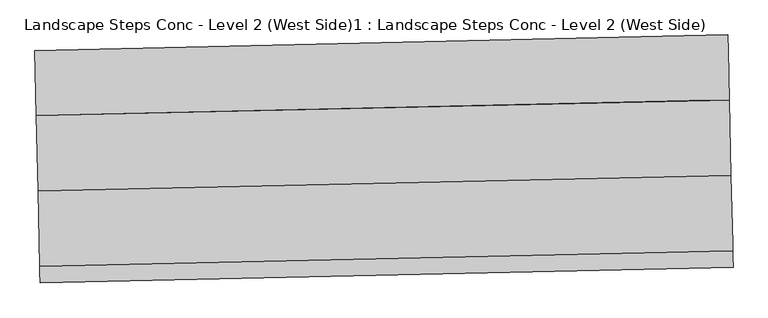
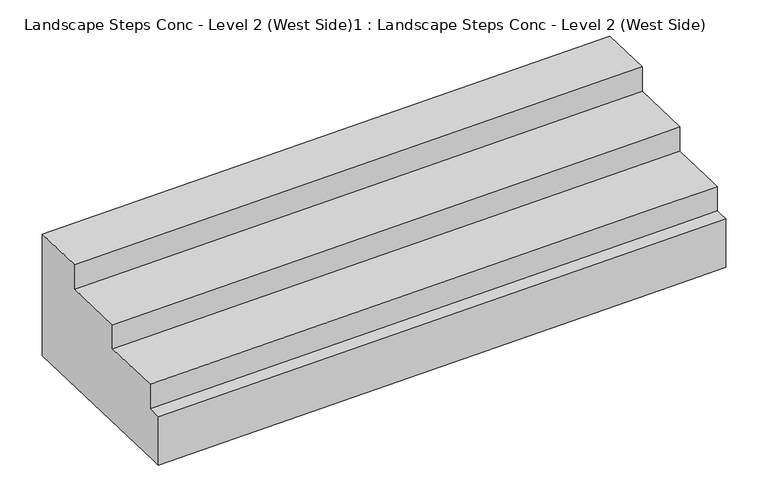
"""IFC4 building model written with IfcOpenShell, lengths in millimetres: beam geometry, Landscape Steps Conc - Level 2 (West Side)1 : Landscape Steps Conc - Level 2 (West Side)."""

from ifc_helpers import new_model, si_unit, origin, place, context, project, spatial, faceted_brep, source, transform, mapped, element, save


def landscape_steps_conc_level_2_west_side_1_landscape_steps_fa8f9704(model_context):
    return source(origin(), model_context, "Body", "Brep", [
        faceted_brep([(205387.4868432, 153294.3277182, 6850.0), (205387.4868432, 153294.3277182, 6700.0), (205395.8089509, 152929.4226038, 6700.0), (205395.8089509, 152929.4226038, 6550.0), (205403.356526, 152598.4789455, 6550.0), (205404.1310585, 152564.5174894, 6550.0), (205404.1310585, 152564.5174894, 6400.0), (205404.8212078, 152534.2560456, 6400.0), (205405.9550821, 152484.5382862, 6400.0), (205405.9550821, 152484.5382862, 6100.0), (205404.8212078, 152534.2560456, 6100.0), (205403.356526, 152598.4789455, 6100.0), (205382.0511919, 153532.6684183, 6100.0), (205380.3045011, 153609.2567558, 6100.0), (205380.3045011, 153609.2567558, 6850.0), (205382.0511919, 153532.6684183, 6850.0), (202038.1331854, 153217.9416094, 6850.0), (202030.9508433, 153532.870647, 6850.0), (202030.9508433, 153532.870647, 6100.0), (202055.4613169, 152458.1432407, 6100.0), (202056.6014243, 152408.1521774, 6100.0), (202056.6014243, 152408.1521774, 6400.0), (202055.4613169, 152458.1432407, 6400.0), (202054.7774007, 152488.1313806, 6400.0), (202054.7774007, 152488.1313806, 6550.0), (202046.455293, 152853.036495, 6550.0), (202046.455293, 152853.036495, 6700.0), (202038.1331854, 153217.9416094, 6700.0), (205294.711732, 153292.2118682, 6850.0), (202038.5618938, 153217.9513866, 6700.0), (205294.711732, 153292.2118682, 6700.0), (202046.8545602, 152853.0456008, 6700.0), (205179.3930024, 152924.4869732, 6700.0), (202046.8545602, 152853.0456008, 6550.0), (205179.3930024, 152924.4869732, 6550.0), (202055.1472265, 152488.1398149, 6550.0), (205085.3049706, 152557.2462703, 6550.0), (205395.0666137, 152564.3107636, 6550.0), (202055.1472265, 152488.1398149, 6400.0), (205085.3049706, 152557.2462703, 6400.0), (205395.0666137, 152564.3107636, 6400.0), (205078.4310634, 152477.0687002, 6100.0)], [[[0, 1, 2, 3, 4, 5, 6, 7, 8, 9, 10, 11, 12, 13, 14, 15]], [[16, 17, 18, 19, 20, 21, 22, 23, 24, 25, 26, 27]], [[1, 0, 28, 16, 27, 29, 30]], [[2, 1, 30, 29, 27, 26, 31, 32]], [[3, 2, 32, 31, 26, 25, 33, 34]], [[5, 4, 3, 34, 33, 25, 24, 35, 36, 37]], [[6, 5, 37, 36, 35, 24, 23, 38, 39, 40]], [[8, 7, 6, 40, 39, 38, 23, 22, 21]], [[9, 8, 21, 20, 41]], [[13, 12, 11, 10, 9, 41, 20, 19, 18]], [[14, 13, 18, 17]], [[0, 15, 14, 17, 16, 28]]]),
    ])


if __name__ == "__main__":
    model = new_model("IFC4")
    model_context = context("Model", 3, world=origin())
    ifc_project = project(units=[si_unit("LENGTHUNIT", "METRE", prefix="MILLI")], contexts=[model_context])
    site = spatial("IfcSite", under=ifc_project)
    building = spatial("IfcBuilding", under=site)
    placement = place(None, origin())
    landscape_steps_conc_level_2_west_side_1_landscape_steps_shape = landscape_steps_conc_level_2_west_side_1_landscape_steps_fa8f9704(model_context)
    element("IfcBeam", 1, ObjectType="Landscape Steps Conc - Level 2 (West Side)1 : Landscape Steps Conc - Level 2 (West Side)", at=placement, inside=building, context=model_context, shape_type="MappedRepresentation", body=[
        mapped(landscape_steps_conc_level_2_west_side_1_landscape_steps_shape, transform((0.0, 0.0, 0.0), x_axis=(1.0, 0.0, 0.0), y_axis=(0.0, 1.0, 0.0), z_axis=(0.0, 0.0, 1.0))),
    ])
    save(model, "model.ifc")
